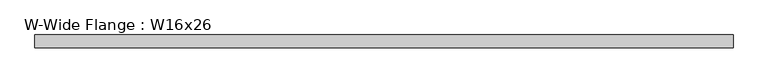
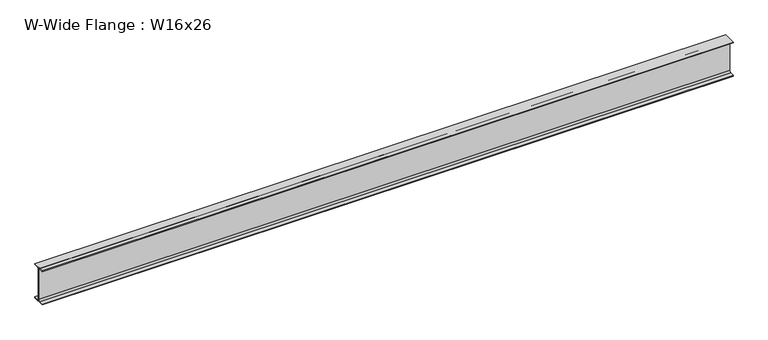
"""IFC4 building model written with IfcOpenShell, lengths in millimetres: beam geometry, W-Wide Flange : W16x26."""

from ifc_helpers import new_model, si_unit, point, frame, frame_2d, origin, place, context, project, spatial, polyline, circle_curve, trimmed, segment, composite_curve, outline, extrude, source, transform, mapped, element, save


def w_wide_flange_w16x26_3afe51fc(model_context):
    return source(origin(), model_context, "Body", "SweptSolid", [
        extrude(outline(composite_curve([segment(polyline([(69.85, -190.627), (69.85, -199.39), (-69.85, -199.39), (-69.85, -190.627), (-21.3995, -190.627)]), True, "CONTINUOUS"), segment(trimmed(circle_curve(frame_2d((-21.3995, -172.4025)), 18.2245), [point((-21.3995, -190.627))], [point((-3.175, -172.4025))], True, "CARTESIAN"), True, "CONTINUOUS"), segment(polyline([(-3.175, -172.4025), (-3.175, 172.4025)]), True, "CONTINUOUS"), segment(trimmed(circle_curve(frame_2d((-21.3995, 172.4025)), 18.2245), [point((-3.175, 172.4025))], [point((-21.3995, 190.627))], True, "CARTESIAN"), True, "CONTINUOUS"), segment(polyline([(-21.3995, 190.627), (-69.85, 190.627), (-69.85, 199.39), (69.85, 199.39), (69.85, 190.627), (21.3995, 190.627)]), True, "CONTINUOUS"), segment(trimmed(circle_curve(frame_2d((21.3995, 172.4025)), 18.2245), [point((21.3995, 190.627))], [point((3.175, 172.4025))], True, "CARTESIAN"), True, "CONTINUOUS"), segment(polyline([(3.175, 172.4025), (3.175, -172.4025)]), True, "CONTINUOUS"), segment(trimmed(circle_curve(frame_2d((21.3995, -172.4025)), 18.2245), [point((3.175, -172.4025))], [point((21.3995, -190.627))], True, "CARTESIAN"), True, "CONTINUOUS"), segment(polyline([(21.3995, -190.627), (69.85, -190.627)]), True, "CONTINUOUS")], self_intersect=False)), frame((-3839.633025, 0.0, 0.0), z_axis=(1.0, 0.0, 0.0), x_axis=(0.0, 1.0, 0.0)), (0.0, 0.0, 1.0), 7687.5496697),
    ])


if __name__ == "__main__":
    model = new_model("IFC4")
    model_context = context("Model", 3, world=origin())
    ifc_project = project(units=[si_unit("LENGTHUNIT", "METRE", prefix="MILLI")], contexts=[model_context])
    site = spatial("IfcSite", under=ifc_project)
    building = spatial("IfcBuilding", under=site)
    placement = place(None, origin())
    w_wide_flange_w16x26_shape = w_wide_flange_w16x26_3afe51fc(model_context)
    element("IfcBeam", 1, ObjectType="W-Wide Flange : W16x26", at=placement, inside=building, context=model_context, shape_type="MappedRepresentation", body=[
        mapped(w_wide_flange_w16x26_shape, transform((0.0, 0.0, 0.0), x_axis=(1.0, 0.0, 0.0), y_axis=(0.0, 1.0, 0.0), z_axis=(0.0, 0.0, 1.0))),
    ])
    save(model, "model.ifc")
